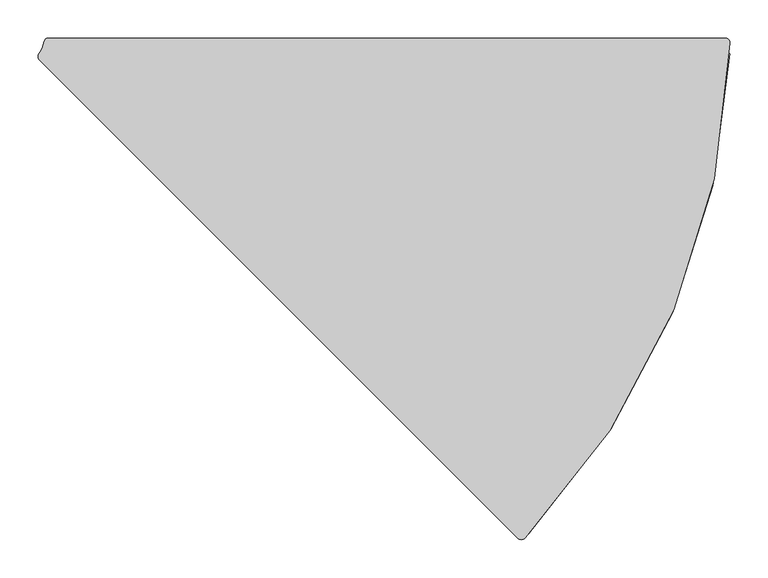
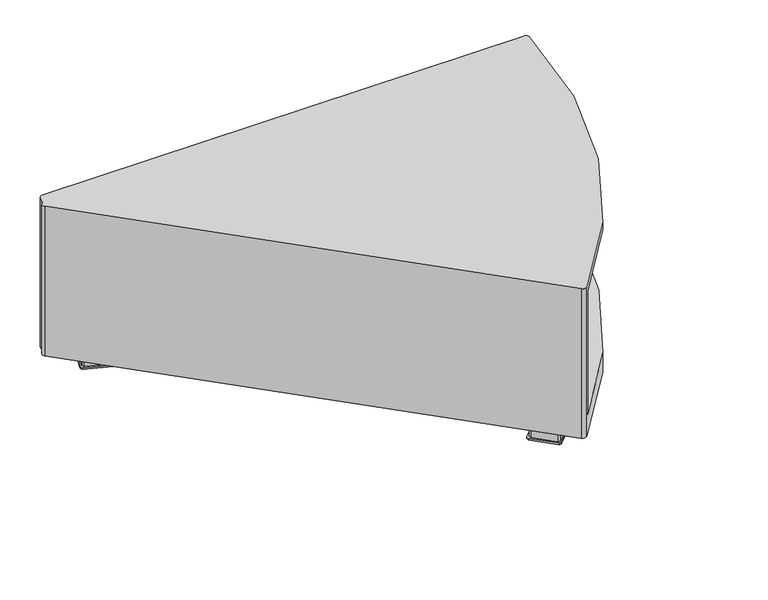
"""IFC4 building model written with IfcOpenShell, lengths in millimetres: furniture geometry."""

from ifc_helpers import new_model, si_unit, frame, origin, place, context, project, spatial, polyline, circle_curve, faceted_brep, source, transform, mapped, element, save
from ifc_brep_helpers import plane_surface, cylinder_surface, revolved_surface, advanced_brep


def furniture_610a5c2f(model_context):
    return source(origin(), model_context, "Body", "SolidModel", [
        advanced_brep(
        [(183.6052706, -301.297605, 317.5), (452.7297861, 348.9831535, 317.5), (446.3817239, 355.4900195, 317.5), (-442.6155382, 355.4900195, 317.5), (-448.4821859, 351.5700592, 317.5), (-451.0337744, 342.1582717, 317.5), (-455.8846411, 333.6988759, 317.5), (-454.5081263, 326.7787087, 317.5), (173.6936321, -301.4230496, 317.5), (183.6052706, -301.297605, 25.4000008), (173.6936321, -301.4230496, 25.4000008), (-454.5081263, 326.7787087, 25.4000008), (-455.8846411, 333.6988759, 25.4000008), (-451.0337744, 342.1582717, 25.4000008), (-448.4821859, 351.5700592, 25.4000008), (-442.6155382, 355.4900195, 25.4000008), (446.3817239, 355.4900195, 25.4000008), (452.7297861, 348.9831535, 25.4000008), (188.6550524, -295.9453541, 304.8), (452.2685833, 334.6005688, 304.8), (452.2685833, 334.6005688, 63.4999985), (188.6550524, -295.9453541, 63.4999985), (-435.8876157, 328.5612448, 304.8), (-435.0668558, 334.6005688, 304.8), (-435.0668558, 334.6005688, 63.4999985), (-435.8876157, 328.5612448, 63.4999985)],
        [
            (0, 1, circle_curve(frame((-525.8954634, 373.1658024, 317.5), z_axis=(0.0, 0.0, 1.0), x_axis=(1.0, 0.0, 0.0)), 978.9239906)),
            (1, 2, circle_curve(frame((446.3817239, 349.1400195, 317.5), z_axis=(0.0, 0.0, 1.0), x_axis=(1.0, 0.0, 0.0)), 6.35)),
            (2, 3),
            (3, 4, circle_curve(frame((-442.6155382, 349.1400005, 317.5), z_axis=(0.0, 0.0, 1.0), x_axis=(1.0, 0.0, 0.0)), 6.350019)),
            (4, 5, circle_curve(frame((-488.5922782, 357.3923617, 317.5), z_axis=(0.0, 0.0, -1.0), x_axis=(1.0, 0.0, 0.0)), 40.5304664)),
            (5, 6, circle_curve(frame((-484.5251216, 355.7426839, 317.5), z_axis=(0.0, 0.0, -1.0), x_axis=(1.0, 0.0, 0.0)), 36.1414802)),
            (6, 7, circle_curve(frame((-450.0179902, 331.2688448, 317.5), z_axis=(0.0, 0.0, 1.0), x_axis=(1.0, 0.0, 0.0)), 6.3500113)),
            (7, 8),
            (8, 0, circle_curve(frame((178.5882969, -296.5283848, 317.5), z_axis=(0.0, 0.0, 1.0), x_axis=(1.0, 0.0, 0.0)), 6.9221013)),
            (9, 10, circle_curve(frame((178.5882969, -296.5283848, 25.4000008), z_axis=(0.0, 0.0, -1.0), x_axis=(1.0, 0.0, 0.0)), 6.9221013)),
            (10, 11),
            (11, 12, circle_curve(frame((-450.0179902, 331.2688448, 25.4000008), z_axis=(0.0, 0.0, -1.0), x_axis=(1.0, 0.0, 0.0)), 6.3500113)),
            (12, 13, circle_curve(frame((-484.5251216, 355.7426839, 25.4000008), z_axis=(0.0, 0.0, 1.0), x_axis=(1.0, 0.0, 0.0)), 36.1414802)),
            (13, 14, circle_curve(frame((-488.5922782, 357.3923617, 25.4000008), z_axis=(0.0, 0.0, 1.0), x_axis=(1.0, 0.0, 0.0)), 40.5304664)),
            (14, 15, circle_curve(frame((-442.6155382, 349.1400005, 25.4000008), z_axis=(0.0, 0.0, -1.0), x_axis=(1.0, 0.0, 0.0)), 6.350019)),
            (15, 16),
            (16, 17, circle_curve(frame((446.3817239, 349.1400195, 25.4000008), z_axis=(0.0, 0.0, -1.0), x_axis=(1.0, 0.0, 0.0)), 6.35)),
            (17, 9, circle_curve(frame((-525.8954634, 373.1658024, 25.4000008), z_axis=(0.0, 0.0, -1.0), x_axis=(1.0, 0.0, 0.0)), 978.9239906)),
            (0, 9),
            (17, 1),
            (18, 19, circle_curve(frame((-525.8954634, 373.1658024, 304.8), z_axis=(0.0, 0.0, 1.0), x_axis=(1.0, 0.0, 0.0)), 978.9239906)),
            (19, 20),
            (20, 21, circle_curve(frame((-525.8954634, 373.1658024, 63.4999985), z_axis=(0.0, 0.0, -1.0), x_axis=(1.0, 0.0, 0.0)), 978.9239906)),
            (21, 18),
            (16, 2),
            (15, 3),
            (14, 4),
            (13, 5),
            (12, 6),
            (11, 7),
            (10, 8),
            (22, 23, circle_curve(frame((-474.219126, 336.8460304, 304.8), z_axis=(0.0, 0.0, 1.0), x_axis=(1.0, 0.0, 0.0)), 39.2166082)),
            (23, 19),
            (18, 22),
            (24, 25, circle_curve(frame((-474.219126, 336.8460304, 63.4999985), z_axis=(0.0, 0.0, -1.0), x_axis=(1.0, 0.0, 0.0)), 39.2166082)),
            (25, 21),
            (20, 24),
            (23, 24),
            (22, 25),
        ],
        [
            plane_surface(frame((453.0285272, 373.1658024, 317.5), z_axis=(0.0, 0.0, 1.0), x_axis=(0.0, 1.0, 0.0))),
            plane_surface(frame((453.0285272, 373.1658024, 25.4000008), z_axis=(0.0, 0.0, -1.0), x_axis=(0.0, -1.0, 0.0))),
            cylinder_surface(frame((-525.8954634, 373.1658024, 25.4000008), z_axis=(0.0, 0.0, 1.0), x_axis=(1.0, 0.0, 0.0)), 978.9239906),
            cylinder_surface(frame((446.3817239, 349.1400195, 25.4000008), z_axis=(0.0, 0.0, 1.0), x_axis=(1.0, 0.0, 0.0)), 6.35),
            plane_surface(frame((446.3817239, 355.4900195, 317.5), z_axis=(0.0, 1.0, 0.0), x_axis=(0.0, 0.0, -1.0))),
            cylinder_surface(frame((-442.6155382, 349.1400005, 25.4000008), z_axis=(0.0, 0.0, 1.0), x_axis=(1.0, 0.0, 0.0)), 6.350019),
            revolved_surface(polyline([(-448.0618118, 357.3923617, 25.4000008), (-448.0618118, 357.3923617, 317.5)]), (-488.5922782, 357.3923617, 25.4000008), (0.0, 0.0, -1.0)),
            revolved_surface(polyline([(-448.3836414, 355.7426839, 25.4000008), (-448.3836414, 355.7426839, 317.5)]), (-484.5251216, 355.7426839, 25.4000008), (0.0, 0.0, -1.0)),
            cylinder_surface(frame((-450.0179902, 331.2688448, 25.4000008), z_axis=(0.0, 0.0, 1.0), x_axis=(1.0, 0.0, 0.0)), 6.3500113),
            plane_surface(frame((-454.5081263, 326.7787087, 317.5), z_axis=(-0.7071067811865469, -0.7071067811865481, 0.0), x_axis=(0.0, 0.0, -1.0))),
            cylinder_surface(frame((178.5882969, -296.5283848, 25.4000008), z_axis=(0.0, 0.0, 1.0), x_axis=(1.0, 0.0, 0.0)), 6.9221013),
            plane_surface(frame((467.7982844, 334.6005688, 304.8), z_axis=(0.0, 0.0, -1.0), x_axis=(-1.0, 0.0, 0.0))),
            plane_surface(frame((467.7982844, 334.6005688, 63.4999985), z_axis=(0.0, 0.0, 1.0), x_axis=(1.0, 0.0, 0.0))),
            plane_surface(frame((467.6472269, 334.6005688, 304.8), z_axis=(0.0, -1.0, 0.0), x_axis=(0.0, 0.0, -1.0))),
            cylinder_surface(frame((-474.219126, 336.8460304, 63.4999985), z_axis=(0.0, 0.0, -1.0), x_axis=(1.0, 0.0, 0.0)), 39.2166082),
            plane_surface(frame((-435.8876157, 328.5612448, 304.8), z_axis=(0.7070863615319476, 0.7071272002514907, 0.0), x_axis=(0.0, 0.0, -1.0))),
        ],
        [
            (0, [[1, 2, 3, 4, 5, 6, 7, 8, 9]]),
            (1, [[10, 11, 12, 13, 14, 15, 16, 17, 18]]),
            (2, [[-1, 19, -18, 20], [21, 22, 23, 24]]),
            (3, [[-2, -20, -17, 25]]),
            (4, [[-3, -25, -16, 26]]),
            (5, [[-4, -26, -15, 27]]),
            (6, [[-5, -27, -14, 28]]),
            (7, [[-6, -28, -13, 29]]),
            (8, [[-7, -29, -12, 30]]),
            (9, [[-8, -30, -11, 31]]),
            (10, [[-9, -31, -10, -19]]),
            (11, [[32, 33, -21, 34]]),
            (12, [[35, 36, -23, 37]]),
            (13, [[38, -37, -22, -33]]),
            (14, [[-32, 39, -35, -38]]),
            (15, [[-39, -34, -24, -36]]),
        ],
    ),
        faceted_brep([(353.956245, 333.3904993, 25.4000008), (350.781239, 330.2154932, 25.4000008), (350.781239, 285.7654811, 25.4000008), (353.956245, 282.5904932, 25.4000008), (398.406239, 282.5904932, 25.4000008), (401.581245, 285.7654811, 25.4000008), (401.581245, 330.2154932, 25.4000008), (398.406239, 333.3904993, 25.4000008), (401.581245, 336.5654872, 0.0), (404.7562329, 333.3904993, 0.0), (404.7562329, 282.5904932, 0.0), (401.581245, 279.4155053, 0.0), (350.781239, 279.4155053, 0.0), (347.6062329, 282.5904932, 0.0), (347.6062329, 333.3904993, 0.0), (350.781239, 336.5654872, 0.0), (353.956245, 333.3904993, 3.1750001), (350.781239, 330.2154932, 3.1750001), (350.781239, 285.7654811, 3.1750001), (353.956245, 282.5904932, 3.1750001), (398.406239, 282.5904932, 3.1750001), (401.581245, 285.7654811, 3.1750001), (401.581245, 330.2154932, 3.1750001), (398.406239, 333.3904993, 3.1750001), (401.581245, 336.5654872, 3.1750001), (350.781239, 336.5654872, 3.1750001), (347.6062329, 333.3904993, 3.1750001), (347.6062329, 282.5904932, 3.1750001), (350.781239, 279.4155053, 3.1750001), (401.581245, 279.4155053, 3.1750001), (404.7562329, 282.5904932, 3.1750001), (404.7562329, 333.3904993, 3.1750001)], [[[0, 1, 2, 3, 4, 5, 6, 7]], [[8, 9, 10, 11, 12, 13, 14, 15]], [[1, 0, 16, 17]], [[2, 1, 17, 18]], [[3, 2, 18, 19]], [[4, 3, 19, 20]], [[5, 4, 20, 21]], [[6, 5, 21, 22]], [[7, 6, 22, 23]], [[0, 7, 23, 16]], [[24, 25, 26, 27, 28, 29, 30, 31], [17, 16, 23, 22, 21, 20, 19, 18]], [[25, 24, 8, 15]], [[26, 25, 15, 14]], [[27, 26, 14, 13]], [[28, 27, 13, 12]], [[29, 28, 12, 11]], [[30, 29, 11, 10]], [[31, 30, 10, 9]], [[24, 31, 9, 8]]]),
        faceted_brep([(-381.5407803, 344.9375518, 25.4000008), (-385.6289308, 343.0805778, 25.4000008), (-401.2471408, 301.4647744, 25.4000008), (-399.3901605, 297.3766409, 25.4000008), (-357.7743741, 281.7584373, 25.4000008), (-353.6862299, 283.6153943, 25.4000008), (-338.0680199, 325.2311977, 25.4000008), (-339.9249939, 329.3193482, 25.4000008), (-335.8368498, 331.1763052, 0.0), (-333.9798864, 327.0881781, 0.0), (-351.8292666, 279.5272672, 0.0), (-355.9173937, 277.6703038, 0.0), (-403.4783046, 295.5196839, 0.0), (-405.3352849, 299.6078174, 0.0), (-387.4859048, 347.1687283, 0.0), (-383.3977607, 349.0256853, 0.0), (-381.5407803, 344.9375518, 3.1750001), (-385.6289308, 343.0805778, 3.1750001), (-401.2471408, 301.4647744, 3.1750001), (-399.3901605, 297.3766409, 3.1750001), (-357.7743741, 281.7584373, 3.1750001), (-353.6862299, 283.6153943, 3.1750001), (-338.0680199, 325.2311977, 3.1750001), (-339.9249939, 329.3193482, 3.1750001), (-335.8368498, 331.1763052, 3.1750001), (-383.3977607, 349.0256853, 3.1750001), (-387.4859048, 347.1687283, 3.1750001), (-405.3352849, 299.6078174, 3.1750001), (-403.4783046, 295.5196839, 3.1750001), (-355.9173937, 277.6703038, 3.1750001), (-351.8292666, 279.5272672, 3.1750001), (-333.9798864, 327.0881781, 3.1750001)], [[[0, 1, 2, 3, 4, 5, 6, 7]], [[8, 9, 10, 11, 12, 13, 14, 15]], [[1, 0, 16, 17]], [[2, 1, 17, 18]], [[3, 2, 18, 19]], [[4, 3, 19, 20]], [[5, 4, 20, 21]], [[6, 5, 21, 22]], [[7, 6, 22, 23]], [[0, 7, 23, 16]], [[24, 25, 26, 27, 28, 29, 30, 31], [17, 16, 23, 22, 21, 20, 19, 18]], [[25, 24, 8, 15]], [[26, 25, 15, 14]], [[27, 26, 14, 13]], [[28, 27, 13, 12]], [[29, 28, 12, 11]], [[30, 29, 11, 10]], [[31, 30, 10, 9]], [[24, 31, 9, 8]]]),
        faceted_brep([(156.1942119, -196.126564, 25.4000008), (151.7040753, -196.126564, 25.4000008), (120.2731703, -227.557469, 25.4000008), (120.2731831, -232.0475928, 25.4000008), (151.7040753, -263.4784849, 25.4000008), (156.1941991, -263.4784978, 25.4000008), (187.6251041, -232.0475928, 25.4000008), (187.6251041, -227.5574561, 25.4000008), (192.1152278, -227.557469, 0.0), (192.1152278, -232.0475799, 0.0), (156.1941991, -267.9686087, 0.0), (151.7040881, -267.9686087, 0.0), (115.7830594, -232.0475799, 0.0), (115.7830465, -227.5574561, 0.0), (151.7040753, -191.6364274, 0.0), (156.1941991, -191.6364402, 0.0), (156.1942119, -196.126564, 3.1750001), (151.7040753, -196.126564, 3.1750001), (120.2731703, -227.557469, 3.1750001), (120.2731831, -232.0475928, 3.1750001), (151.7040753, -263.4784849, 3.1750001), (156.1941991, -263.4784978, 3.1750001), (187.6251041, -232.0475928, 3.1750001), (187.6251041, -227.5574561, 3.1750001), (192.1152278, -227.557469, 3.1750001), (156.1941991, -191.6364402, 3.1750001), (151.7040753, -191.6364274, 3.1750001), (115.7830465, -227.5574561, 3.1750001), (115.7830594, -232.0475799, 3.1750001), (151.7040881, -267.9686087, 3.1750001), (156.1941991, -267.9686087, 3.1750001), (192.1152278, -232.0475799, 3.1750001)], [[[0, 1, 2, 3, 4, 5, 6, 7]], [[8, 9, 10, 11, 12, 13, 14, 15]], [[1, 0, 16, 17]], [[2, 1, 17, 18]], [[3, 2, 18, 19]], [[4, 3, 19, 20]], [[5, 4, 20, 21]], [[6, 5, 21, 22]], [[7, 6, 22, 23]], [[0, 7, 23, 16]], [[24, 25, 26, 27, 28, 29, 30, 31], [17, 16, 23, 22, 21, 20, 19, 18]], [[25, 24, 8, 15]], [[26, 25, 15, 14]], [[27, 26, 14, 13]], [[28, 27, 13, 12]], [[29, 28, 12, 11]], [[30, 29, 11, 10]], [[31, 30, 10, 9]], [[24, 31, 9, 8]]]),
    ])


if __name__ == "__main__":
    model = new_model("IFC4")
    model_context = context("Model", 3, world=origin())
    ifc_project = project(units=[si_unit("LENGTHUNIT", "METRE", prefix="MILLI")], contexts=[model_context])
    site = spatial("IfcSite", under=ifc_project)
    building = spatial("IfcBuilding", under=site)
    placement = place(None, origin())
    furniture_shape = furniture_610a5c2f(model_context)
    element("IfcFurniture", 1, at=placement, inside=building, context=model_context, shape_type="MappedRepresentation", body=[
        mapped(furniture_shape, transform((0.0, 0.0, 0.0), x_axis=(1.0, 0.0, 0.0), y_axis=(0.0, 1.0, 0.0), z_axis=(0.0, 0.0, 1.0))),
    ])
    save(model, "model.ifc")
